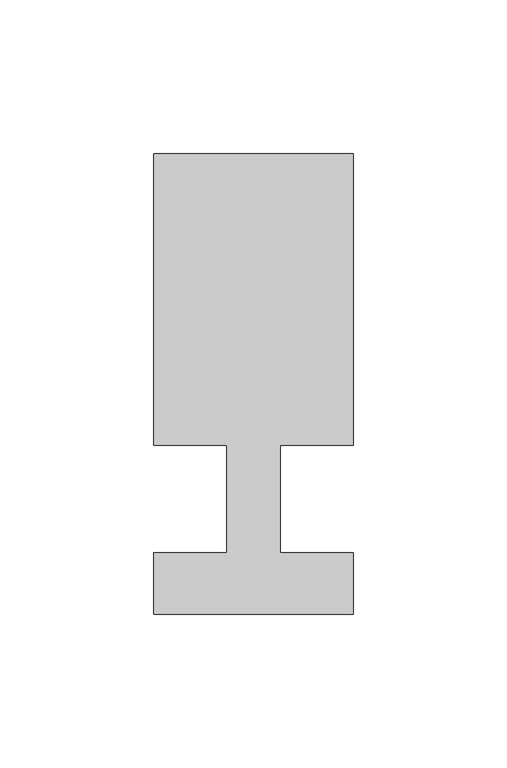
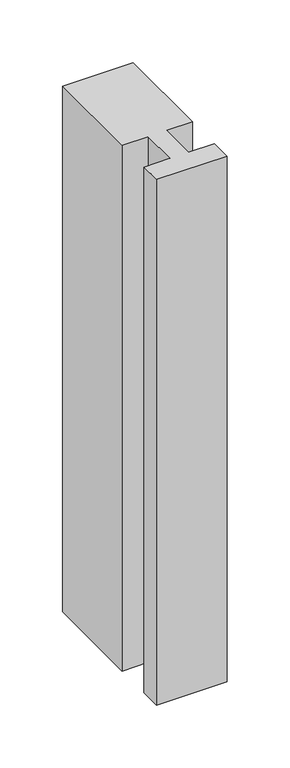
"""IFC4 building model written with IfcOpenShell, lengths in millimetres: member geometry."""

from ifc_helpers import new_model, si_unit, frame, origin, place, context, project, spatial, polyline, outline, extrude, source, transform, mapped, element, save


def member_ed908a46(model_context):
    return source(origin(), model_context, "Body", "SweptSolid", [
        extrude(outline(polyline([(0.0, -37.0), (-65.0, -37.0), (-65.0, -17.0), (-41.1875, -17.0), (-41.1875, 18.0), (-65.0, 18.0), (-65.0, 113.0), (0.0, 113.0), (0.0, 18.0), (-23.8125, 18.0), (-23.8125, -17.0), (0.0, -17.0), (0.0, -37.0)])), frame((0.0, 0.0, -511.90625), z_axis=(0.0, 0.0, 1.0), x_axis=(1.0, 0.0, 0.0)), (0.0, 0.0, 1.0), 511.90625),
    ])


if __name__ == "__main__":
    model = new_model("IFC4")
    model_context = context("Model", 3, world=origin())
    ifc_project = project(units=[si_unit("LENGTHUNIT", "METRE", prefix="MILLI")], contexts=[model_context])
    site = spatial("IfcSite", under=ifc_project)
    building = spatial("IfcBuilding", under=site)
    placement = place(None, origin())
    member_shape = member_ed908a46(model_context)
    element("IfcMember", 1, at=placement, inside=building, context=model_context, shape_type="MappedRepresentation", body=[
        mapped(member_shape, transform((0.0, 0.0, 0.0), x_axis=(1.0, 0.0, 0.0), y_axis=(0.0, 1.0, 0.0), z_axis=(0.0, 0.0, 1.0))),
    ])
    save(model, "model.ifc")
